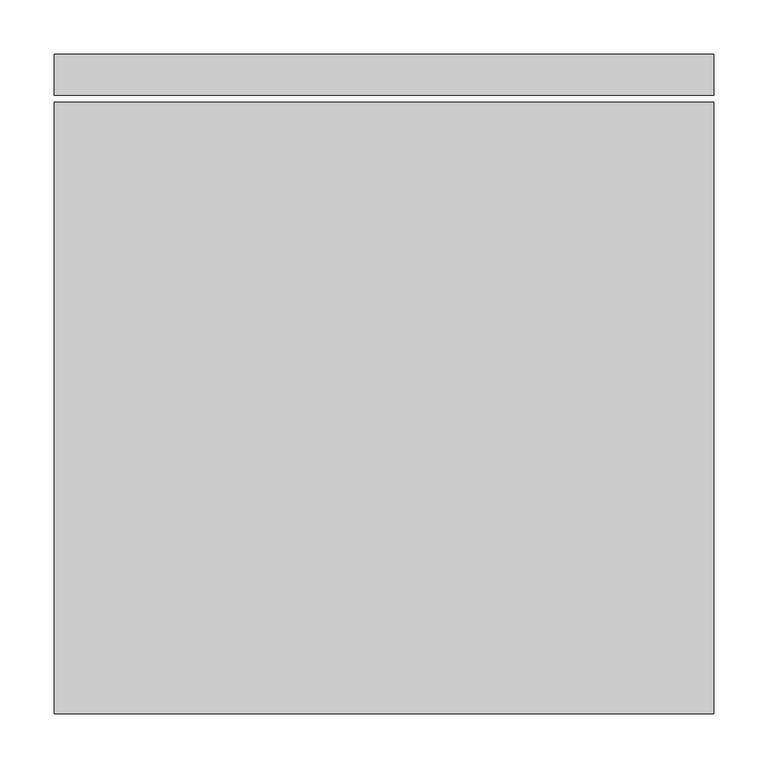
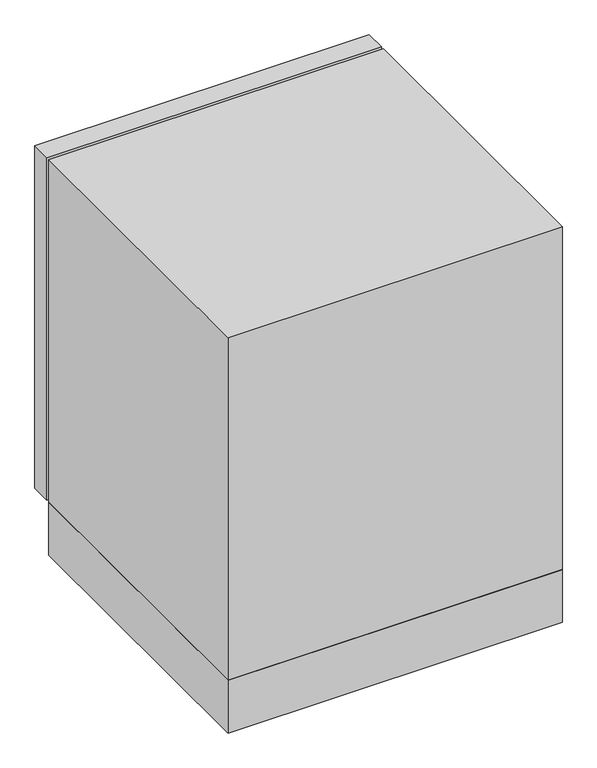
"""IFC4 building model written with IfcOpenShell, lengths in millimetres: proxy geometry."""

from ifc_helpers import new_model, si_unit, frame, origin, origin_with_axes, place, context, project, spatial, polyline, outline, extrude, source, transform, mapped, element, save


def specialty_equipment_2838bd00(model_context):
    return source(origin(), model_context, "Body", "SweptSolid", [
        extrude(outline(polyline([(203.2, -609.6), (-406.4, -609.6), (-406.4, -44.45), (203.2, -44.45), (203.2, -609.6)])), origin_with_axes(), (0.0, 0.0, 1.0), 101.6),
        extrude(outline(polyline([(203.2, -38.1), (-406.4, -38.1), (-406.4, 0.0), (203.2, 0.0), (203.2, -38.1)])), frame((0.0, 0.0, 101.6), z_axis=(0.0, 0.0, 1.0), x_axis=(1.0, 0.0, 0.0)), (0.0, 0.0, 1.0), 660.4),
        extrude(outline(polyline([(203.2, -609.6), (-406.4, -609.6), (-406.4, -44.45), (203.2, -44.45), (203.2, -609.6)])), frame((0.0, 0.0, 101.6), z_axis=(0.0, 0.0, 1.0), x_axis=(1.0, 0.0, 0.0)), (0.0, 0.0, 1.0), 660.4),
    ])


if __name__ == "__main__":
    model = new_model("IFC4")
    model_context = context("Model", 3, world=origin())
    ifc_project = project(units=[si_unit("LENGTHUNIT", "METRE", prefix="MILLI")], contexts=[model_context])
    site = spatial("IfcSite", under=ifc_project)
    building = spatial("IfcBuilding", under=site)
    placement = place(None, origin())
    specialty_equipment_shape = specialty_equipment_2838bd00(model_context)
    element("IfcBuildingElementProxy", 1, Name="Specialty Equipment", at=placement, inside=building, context=model_context, shape_type="MappedRepresentation", body=[
        mapped(specialty_equipment_shape, transform((0.0, 0.0, 0.0), x_axis=(1.0, 0.0, 0.0), y_axis=(0.0, 1.0, 0.0), z_axis=(0.0, 0.0, 1.0))),
    ])
    save(model, "model.ifc")
